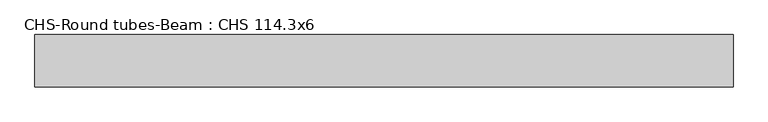
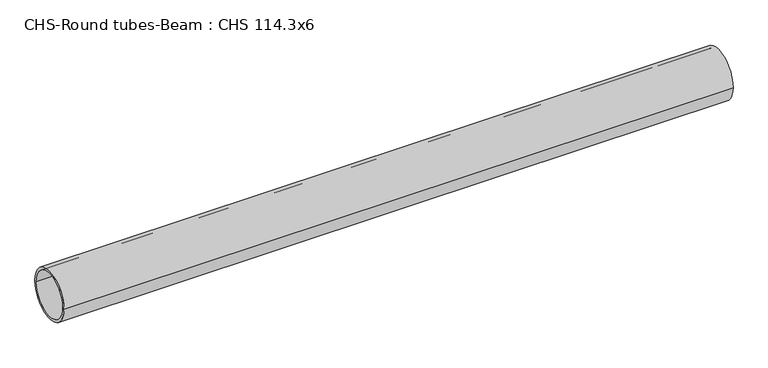
"""IFC4 building model written with IfcOpenShell, lengths in millimetres: beam geometry, CHS-Round tubes-Beam : CHS 114.3x6."""

from ifc_helpers import new_model, si_unit, point, frame, origin, origin_2d, place, context, project, spatial, circle_curve, trimmed, segment, composite_curve, outline, extrude, source, transform, mapped, element, save


def chs_round_tubes_beam_chs_114_3x6_77b2357b(model_context):
    return source(origin(), model_context, "Body", "SweptSolid", [
        extrude(outline(composite_curve([segment(trimmed(circle_curve(origin_2d(), 57.15), [point((57.15, 0.0))], [point((-57.15, 0.0))], False, "CARTESIAN"), True, "CONTINUOUS"), segment(trimmed(circle_curve(origin_2d(), 57.15), [point((-57.15, 0.0))], [point((57.15, 0.0))], False, "CARTESIAN"), True, "CONTINUOUS")], self_intersect=False), holes=[composite_curve([segment(trimmed(circle_curve(origin_2d(), 51.15), [point((51.15, 0.0))], [point((-51.15, 0.0))], True, "CARTESIAN"), True, "CONTINUOUS"), segment(trimmed(circle_curve(origin_2d(), 51.15), [point((-51.15, 0.0))], [point((51.15, 0.0))], True, "CARTESIAN"), True, "CONTINUOUS")], self_intersect=False)]), frame((-773.3482193, 0.0, 0.0), z_axis=(1.0, 0.0, 0.0), x_axis=(0.0, 1.0, 0.0)), (0.0, 0.0, 1.0), 1519.6311083),
    ])


if __name__ == "__main__":
    model = new_model("IFC4")
    model_context = context("Model", 3, world=origin())
    ifc_project = project(units=[si_unit("LENGTHUNIT", "METRE", prefix="MILLI")], contexts=[model_context])
    site = spatial("IfcSite", under=ifc_project)
    building = spatial("IfcBuilding", under=site)
    placement = place(None, origin())
    chs_round_tubes_beam_chs_114_3x6_shape = chs_round_tubes_beam_chs_114_3x6_77b2357b(model_context)
    element("IfcBeam", 1, ObjectType="CHS-Round tubes-Beam : CHS 114.3x6", at=placement, inside=building, context=model_context, shape_type="MappedRepresentation", body=[
        mapped(chs_round_tubes_beam_chs_114_3x6_shape, transform((0.0, 0.0, 0.0), x_axis=(1.0, 0.0, 0.0), y_axis=(0.0, 1.0, 0.0), z_axis=(0.0, 0.0, 1.0))),
    ])
    save(model, "model.ifc")
